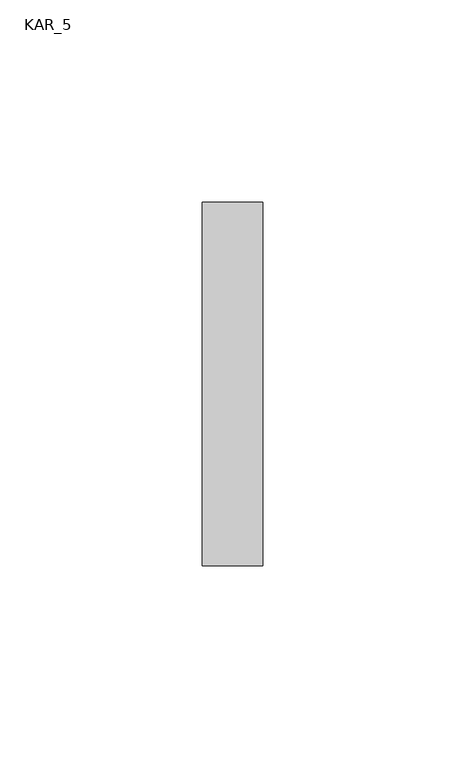
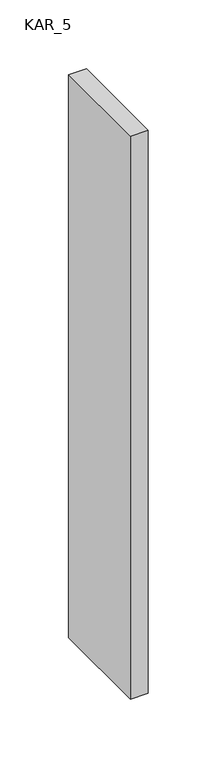
"""IFC4 building model written with IfcOpenShell, lengths in millimetres: proxy geometry, KAR_5."""

from ifc_helpers import new_model, si_unit, frame, origin, place, context, project, spatial, polyline, outline, extrude, source, transform, mapped, element, save


def kar_5_284ebd39(model_context):
    return source(origin(), model_context, "Body", "SweptSolid", [
        extrude(outline(polyline([(15.0, 90.0), (15.0, 0.0), (0.0, 0.0), (0.0, 90.0), (15.0, 90.0)])), frame((0.0, 0.0, 1000.0), z_axis=(0.0, 0.0, 1.0), x_axis=(1.0, 0.0, 0.0)), (0.0, 0.0, 1.0), 500.0),
    ])


if __name__ == "__main__":
    model = new_model("IFC4")
    model_context = context("Model", 3, world=origin())
    ifc_project = project(units=[si_unit("LENGTHUNIT", "METRE", prefix="MILLI")], contexts=[model_context])
    site = spatial("IfcSite", under=ifc_project)
    building = spatial("IfcBuilding", under=site)
    placement = place(None, origin())
    kar_5_shape = kar_5_284ebd39(model_context)
    element("IfcBuildingElementProxy", 1, Name="KAR_5", ObjectType="KAR_5", at=placement, inside=building, context=model_context, shape_type="MappedRepresentation", body=[
        mapped(kar_5_shape, transform((0.0, 0.0, 0.0), x_axis=(1.0, 0.0, 0.0), y_axis=(0.0, 1.0, 0.0), z_axis=(0.0, 0.0, 1.0))),
    ])
    save(model, "model.ifc")
